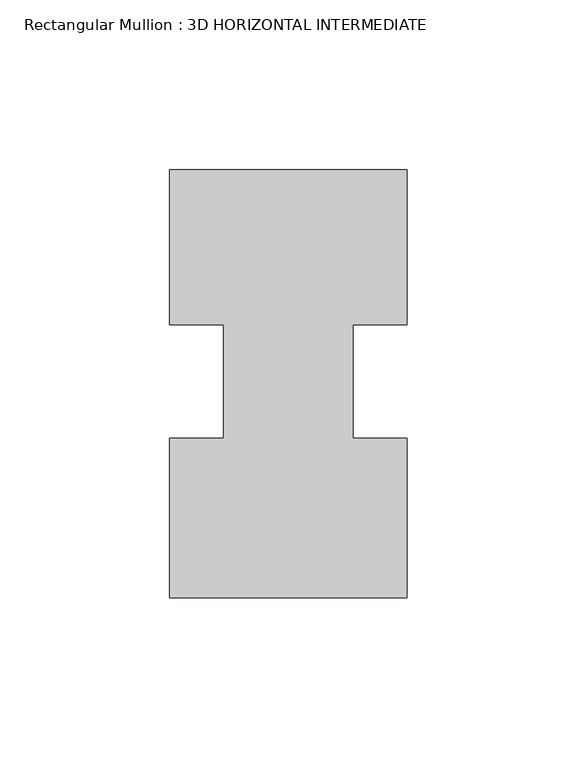
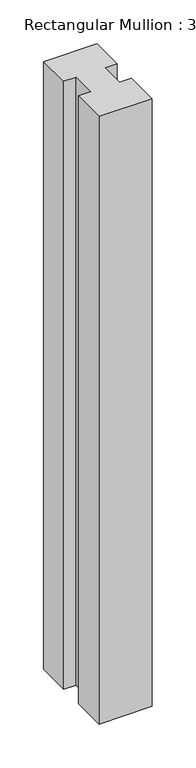
"""IFC4 building model written with IfcOpenShell, lengths in millimetres: member geometry, Rectangular Mullion : 3D HORIZONTAL INTERMEDIATE."""

from ifc_helpers import new_model, si_unit, frame, origin, place, context, project, spatial, polyline, outline, extrude, source, transform, mapped, element, save


def rectangular_mullion_3d_horizontal_intermediate_131f41cf(model_context):
    return source(origin(), model_context, "Body", "SweptSolid", [
        extrude(outline(polyline([(-19.05, 16.678595), (-34.925, 16.678595), (-34.925, 62.251905), (34.925, 62.251905), (34.925, 16.678595), (19.05, 16.678595), (19.05, -16.678595), (34.925, -16.678595), (34.925, -63.528895), (-34.925, -63.528895), (-34.925, -16.6844264), (-19.05, -16.6844264), (-19.05, 16.678595)])), frame((0.0, 0.0, -844.4576836), z_axis=(0.0, 0.0, 1.0), x_axis=(1.0, 0.0, 0.0)), (0.0, 0.0, 1.0), 844.4576836),
    ])


if __name__ == "__main__":
    model = new_model("IFC4")
    model_context = context("Model", 3, world=origin())
    ifc_project = project(units=[si_unit("LENGTHUNIT", "METRE", prefix="MILLI")], contexts=[model_context])
    site = spatial("IfcSite", under=ifc_project)
    building = spatial("IfcBuilding", under=site)
    placement = place(None, origin())
    rectangular_mullion_3d_horizontal_intermediate_shape = rectangular_mullion_3d_horizontal_intermediate_131f41cf(model_context)
    element("IfcMember", 1, ObjectType="Rectangular Mullion : 3D HORIZONTAL INTERMEDIATE", at=placement, inside=building, context=model_context, shape_type="MappedRepresentation", body=[
        mapped(rectangular_mullion_3d_horizontal_intermediate_shape, transform((0.0, 0.0, 0.0), x_axis=(1.0, 0.0, 0.0), y_axis=(0.0, 1.0, 0.0), z_axis=(0.0, 0.0, 1.0))),
    ])
    save(model, "model.ifc")
